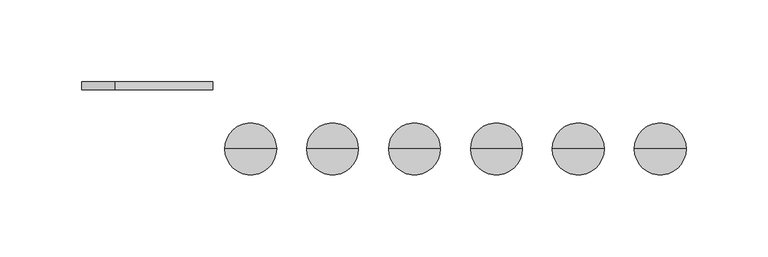
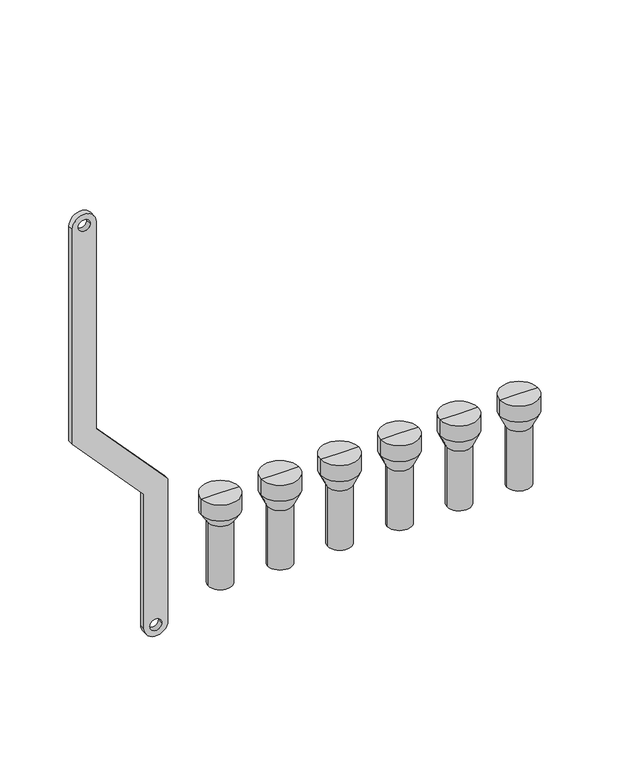
"""IFC4 building model written with IfcOpenShell, lengths in millimetres: proxy geometry."""

from ifc_helpers import new_model, si_unit, point, frame, frame_2d, origin, place, context, project, spatial, polyline, circle_curve, trimmed, segment, composite_curve, outline, extrude, source, transform, mapped, element, save
from ifc_brep_helpers import plane_surface, cylinder_surface, revolved_surface, advanced_brep


def mechanical_equipment_5f8a5434(model_context):
    return source(origin(), model_context, "Body", "SolidModel", [
        advanced_brep(
        [(351.0, -20.0, -240.0), (335.0, -20.0, -240.0), (335.0, -20.0, -187.5), (351.0, -20.0, -187.5), (353.0, -20.0, -240.0), (333.0, -20.0, -240.0), (353.0, -20.0, -187.5), (333.0, -20.0, -187.5), (358.791778, -20.0, -175.079492), (327.208222, -20.0, -175.079492), (358.791778, -20.0, -161.0287273), (327.208222, -20.0, -161.0287273), (343.0, -20.0, -161.0287273), (343.0, -20.0, -187.5)],
        [
            (0, 1, circle_curve(frame((343.0, -20.0, -240.0), z_axis=(0.0, 0.0, -1.0), x_axis=(-1.0, 0.0, 0.0)), 8.0)),
            (1, 2),
            (2, 3, circle_curve(frame((343.0, -20.0, -187.5), z_axis=(0.0, 0.0, 1.0), x_axis=(-1.0, 0.0, 0.0)), 8.0)),
            (3, 0),
            (1, 0, circle_curve(frame((343.0, -20.0, -240.0), z_axis=(0.0, 0.0, -1.0), x_axis=(-1.0, 0.0, 0.0)), 8.0)),
            (3, 2, circle_curve(frame((343.0, -20.0, -187.5), z_axis=(0.0, 0.0, 1.0), x_axis=(-1.0, 0.0, 0.0)), 8.0)),
            (4, 5, circle_curve(frame((343.0, -20.0, -240.0), z_axis=(0.0, 0.0, -1.0), x_axis=(-1.0, 0.0, 0.0)), 10.0)),
            (5, 1),
            (0, 4),
            (5, 4, circle_curve(frame((343.0, -20.0, -240.0), z_axis=(0.0, 0.0, -1.0), x_axis=(-1.0, 0.0, 0.0)), 10.0)),
            (6, 7, circle_curve(frame((343.0, -20.0, -187.5), z_axis=(0.0, 0.0, -1.0), x_axis=(-1.0, 0.0, 0.0)), 10.0)),
            (7, 5),
            (4, 6),
            (7, 6, circle_curve(frame((343.0, -20.0, -187.5), z_axis=(0.0, 0.0, -1.0), x_axis=(-1.0, 0.0, 0.0)), 10.0)),
            (8, 9, circle_curve(frame((343.0, -20.0, -175.079492), z_axis=(0.0, 0.0, -1.0), x_axis=(-1.0, 0.0, 0.0)), 15.791778)),
            (9, 7),
            (6, 8),
            (9, 8, circle_curve(frame((343.0, -20.0, -175.079492), z_axis=(0.0, 0.0, -1.0), x_axis=(-1.0, 0.0, 0.0)), 15.791778)),
            (10, 11, circle_curve(frame((343.0, -20.0, -161.0287273), z_axis=(0.0, 0.0, -1.0), x_axis=(-1.0, 0.0, 0.0)), 15.791778)),
            (11, 9),
            (8, 10),
            (11, 10, circle_curve(frame((343.0, -20.0, -161.0287273), z_axis=(0.0, 0.0, -1.0), x_axis=(-1.0, 0.0, 0.0)), 15.791778)),
            (12, 11),
            (10, 12),
            (2, 13),
            (13, 3),
        ],
        [
            revolved_surface(polyline([(335.0, -20.0, -187.5), (335.0, -20.0, -240.0)]), (343.0, -20.0, -200.0), (0.0, 0.0, 1.0)),
            plane_surface(frame((343.0, -20.0, -240.0), z_axis=(0.0, 0.0, -1.0), x_axis=(-1.0, 0.0, 0.0))),
            cylinder_surface(frame((343.0, -20.0, -200.0), z_axis=(0.0, 0.0, 1.0), x_axis=(-1.0, 0.0, 0.0)), 10.0),
            revolved_surface(polyline([(333.0, -20.0, -187.5), (327.208222, -20.0, -175.079492)]), (343.0, -20.0, -200.0), (0.0, 0.0, 1.0)),
            cylinder_surface(frame((343.0, -20.0, -200.0), z_axis=(0.0, 0.0, 1.0), x_axis=(-1.0, 0.0, 0.0)), 15.791778),
            plane_surface(frame((343.0, -20.0, -161.0287273), z_axis=(0.0, 0.0, 1.0), x_axis=(-1.0, 0.0, 0.0))),
            plane_surface(frame((343.0, -20.0, -187.5), z_axis=(0.0, 0.0, -1.0), x_axis=(-1.0, 0.0, 0.0))),
        ],
        [
            (0, [[1, 2, 3, 4]]),
            (0, [[5, -4, 6, -2]]),
            (1, [[7, 8, -1, 9]]),
            (1, [[10, -9, -5, -8]]),
            (2, [[11, 12, -7, 13]]),
            (2, [[14, -13, -10, -12]]),
            (3, [[15, 16, -11, 17]]),
            (3, [[18, -17, -14, -16]]),
            (4, [[19, 20, -15, 21]]),
            (4, [[22, -21, -18, -20]]),
            (5, [[23, -19, 24]]),
            (5, [[-24, -22, -23]]),
            (6, [[-3, 25, 26]]),
            (6, [[-6, -26, -25]]),
        ],
    ),
        advanced_brep(
        [(301.0, -20.0, -240.0), (285.0, -20.0, -240.0), (285.0, -20.0, -187.5), (301.0, -20.0, -187.5), (303.0, -20.0, -240.0), (283.0, -20.0, -240.0), (303.0, -20.0, -187.5), (283.0, -20.0, -187.5), (308.791778, -20.0, -175.079492), (277.208222, -20.0, -175.079492), (308.791778, -20.0, -161.0287273), (277.208222, -20.0, -161.0287273), (293.0, -20.0, -161.0287273), (293.0, -20.0, -187.5)],
        [
            (0, 1, circle_curve(frame((293.0, -20.0, -240.0), z_axis=(0.0, 0.0, -1.0), x_axis=(-1.0, 0.0, 0.0)), 8.0)),
            (1, 2),
            (2, 3, circle_curve(frame((293.0, -20.0, -187.5), z_axis=(0.0, 0.0, 1.0), x_axis=(-1.0, 0.0, 0.0)), 8.0)),
            (3, 0),
            (1, 0, circle_curve(frame((293.0, -20.0, -240.0), z_axis=(0.0, 0.0, -1.0), x_axis=(-1.0, 0.0, 0.0)), 8.0)),
            (3, 2, circle_curve(frame((293.0, -20.0, -187.5), z_axis=(0.0, 0.0, 1.0), x_axis=(-1.0, 0.0, 0.0)), 8.0)),
            (4, 5, circle_curve(frame((293.0, -20.0, -240.0), z_axis=(0.0, 0.0, -1.0), x_axis=(-1.0, 0.0, 0.0)), 10.0)),
            (5, 1),
            (0, 4),
            (5, 4, circle_curve(frame((293.0, -20.0, -240.0), z_axis=(0.0, 0.0, -1.0), x_axis=(-1.0, 0.0, 0.0)), 10.0)),
            (6, 7, circle_curve(frame((293.0, -20.0, -187.5), z_axis=(0.0, 0.0, -1.0), x_axis=(-1.0, 0.0, 0.0)), 10.0)),
            (7, 5),
            (4, 6),
            (7, 6, circle_curve(frame((293.0, -20.0, -187.5), z_axis=(0.0, 0.0, -1.0), x_axis=(-1.0, 0.0, 0.0)), 10.0)),
            (8, 9, circle_curve(frame((293.0, -20.0, -175.079492), z_axis=(0.0, 0.0, -1.0), x_axis=(-1.0, 0.0, 0.0)), 15.791778)),
            (9, 7),
            (6, 8),
            (9, 8, circle_curve(frame((293.0, -20.0, -175.079492), z_axis=(0.0, 0.0, -1.0), x_axis=(-1.0, 0.0, 0.0)), 15.791778)),
            (10, 11, circle_curve(frame((293.0, -20.0, -161.0287273), z_axis=(0.0, 0.0, -1.0), x_axis=(-1.0, 0.0, 0.0)), 15.791778)),
            (11, 9),
            (8, 10),
            (11, 10, circle_curve(frame((293.0, -20.0, -161.0287273), z_axis=(0.0, 0.0, -1.0), x_axis=(-1.0, 0.0, 0.0)), 15.791778)),
            (12, 11),
            (10, 12),
            (2, 13),
            (13, 3),
        ],
        [
            revolved_surface(polyline([(285.0, -20.0, -187.5), (285.0, -20.0, -240.0)]), (293.0, -20.0, -200.0), (0.0, 0.0, 1.0)),
            plane_surface(frame((293.0, -20.0, -240.0), z_axis=(0.0, 0.0, -1.0), x_axis=(-1.0, 0.0, 0.0))),
            cylinder_surface(frame((293.0, -20.0, -200.0), z_axis=(0.0, 0.0, 1.0), x_axis=(-1.0, 0.0, 0.0)), 10.0),
            revolved_surface(polyline([(283.0, -20.0, -187.5), (277.208222, -20.0, -175.079492)]), (293.0, -20.0, -200.0), (0.0, 0.0, 1.0)),
            cylinder_surface(frame((293.0, -20.0, -200.0), z_axis=(0.0, 0.0, 1.0), x_axis=(-1.0, 0.0, 0.0)), 15.791778),
            plane_surface(frame((293.0, -20.0, -161.0287273), z_axis=(0.0, 0.0, 1.0), x_axis=(-1.0, 0.0, 0.0))),
            plane_surface(frame((293.0, -20.0, -187.5), z_axis=(0.0, 0.0, -1.0), x_axis=(-1.0, 0.0, 0.0))),
        ],
        [
            (0, [[1, 2, 3, 4]]),
            (0, [[5, -4, 6, -2]]),
            (1, [[7, 8, -1, 9]]),
            (1, [[10, -9, -5, -8]]),
            (2, [[11, 12, -7, 13]]),
            (2, [[14, -13, -10, -12]]),
            (3, [[15, 16, -11, 17]]),
            (3, [[18, -17, -14, -16]]),
            (4, [[19, 20, -15, 21]]),
            (4, [[22, -21, -18, -20]]),
            (5, [[23, -19, 24]]),
            (5, [[-24, -22, -23]]),
            (6, [[-3, 25, 26]]),
            (6, [[-6, -26, -25]]),
        ],
    ),
        advanced_brep(
        [(251.0, -20.0, -240.0), (235.0, -20.0, -240.0), (235.0, -20.0, -187.5), (251.0, -20.0, -187.5), (253.0, -20.0, -240.0), (233.0, -20.0, -240.0), (253.0, -20.0, -187.5), (233.0, -20.0, -187.5), (258.791778, -20.0, -175.079492), (227.208222, -20.0, -175.079492), (258.791778, -20.0, -161.0287273), (227.208222, -20.0, -161.0287273), (243.0, -20.0, -161.0287273), (243.0, -20.0, -187.5)],
        [
            (0, 1, circle_curve(frame((243.0, -20.0, -240.0), z_axis=(0.0, 0.0, -1.0), x_axis=(-1.0, 0.0, 0.0)), 8.0)),
            (1, 2),
            (2, 3, circle_curve(frame((243.0, -20.0, -187.5), z_axis=(0.0, 0.0, 1.0), x_axis=(-1.0, 0.0, 0.0)), 8.0)),
            (3, 0),
            (1, 0, circle_curve(frame((243.0, -20.0, -240.0), z_axis=(0.0, 0.0, -1.0), x_axis=(-1.0, 0.0, 0.0)), 8.0)),
            (3, 2, circle_curve(frame((243.0, -20.0, -187.5), z_axis=(0.0, 0.0, 1.0), x_axis=(-1.0, 0.0, 0.0)), 8.0)),
            (4, 5, circle_curve(frame((243.0, -20.0, -240.0), z_axis=(0.0, 0.0, -1.0), x_axis=(-1.0, 0.0, 0.0)), 10.0)),
            (5, 1),
            (0, 4),
            (5, 4, circle_curve(frame((243.0, -20.0, -240.0), z_axis=(0.0, 0.0, -1.0), x_axis=(-1.0, 0.0, 0.0)), 10.0)),
            (6, 7, circle_curve(frame((243.0, -20.0, -187.5), z_axis=(0.0, 0.0, -1.0), x_axis=(-1.0, 0.0, 0.0)), 10.0)),
            (7, 5),
            (4, 6),
            (7, 6, circle_curve(frame((243.0, -20.0, -187.5), z_axis=(0.0, 0.0, -1.0), x_axis=(-1.0, 0.0, 0.0)), 10.0)),
            (8, 9, circle_curve(frame((243.0, -20.0, -175.079492), z_axis=(0.0, 0.0, -1.0), x_axis=(-1.0, 0.0, 0.0)), 15.791778)),
            (9, 7),
            (6, 8),
            (9, 8, circle_curve(frame((243.0, -20.0, -175.079492), z_axis=(0.0, 0.0, -1.0), x_axis=(-1.0, 0.0, 0.0)), 15.791778)),
            (10, 11, circle_curve(frame((243.0, -20.0, -161.0287273), z_axis=(0.0, 0.0, -1.0), x_axis=(-1.0, 0.0, 0.0)), 15.791778)),
            (11, 9),
            (8, 10),
            (11, 10, circle_curve(frame((243.0, -20.0, -161.0287273), z_axis=(0.0, 0.0, -1.0), x_axis=(-1.0, 0.0, 0.0)), 15.791778)),
            (12, 11),
            (10, 12),
            (2, 13),
            (13, 3),
        ],
        [
            revolved_surface(polyline([(235.0, -20.0, -187.5), (235.0, -20.0, -240.0)]), (243.0, -20.0, -200.0), (0.0, 0.0, 1.0)),
            plane_surface(frame((243.0, -20.0, -240.0), z_axis=(0.0, 0.0, -1.0), x_axis=(-1.0, 0.0, 0.0))),
            cylinder_surface(frame((243.0, -20.0, -200.0), z_axis=(0.0, 0.0, 1.0), x_axis=(-1.0, 0.0, 0.0)), 10.0),
            revolved_surface(polyline([(233.0, -20.0, -187.5), (227.208222, -20.0, -175.079492)]), (243.0, -20.0, -200.0), (0.0, 0.0, 1.0)),
            cylinder_surface(frame((243.0, -20.0, -200.0), z_axis=(0.0, 0.0, 1.0), x_axis=(-1.0, 0.0, 0.0)), 15.791778),
            plane_surface(frame((243.0, -20.0, -161.0287273), z_axis=(0.0, 0.0, 1.0), x_axis=(-1.0, 0.0, 0.0))),
            plane_surface(frame((243.0, -20.0, -187.5), z_axis=(0.0, 0.0, -1.0), x_axis=(-1.0, 0.0, 0.0))),
        ],
        [
            (0, [[1, 2, 3, 4]]),
            (0, [[5, -4, 6, -2]]),
            (1, [[7, 8, -1, 9]]),
            (1, [[10, -9, -5, -8]]),
            (2, [[11, 12, -7, 13]]),
            (2, [[14, -13, -10, -12]]),
            (3, [[15, 16, -11, 17]]),
            (3, [[18, -17, -14, -16]]),
            (4, [[19, 20, -15, 21]]),
            (4, [[22, -21, -18, -20]]),
            (5, [[23, -19, 24]]),
            (5, [[-24, -22, -23]]),
            (6, [[-3, 25, 26]]),
            (6, [[-6, -26, -25]]),
        ],
    ),
        advanced_brep(
        [(201.0, -20.0, -240.0), (185.0, -20.0, -240.0), (185.0, -20.0, -187.5), (201.0, -20.0, -187.5), (203.0, -20.0, -240.0), (183.0, -20.0, -240.0), (203.0, -20.0, -187.5), (183.0, -20.0, -187.5), (208.791778, -20.0, -175.079492), (177.208222, -20.0, -175.079492), (208.791778, -20.0, -161.0287273), (177.208222, -20.0, -161.0287273), (193.0, -20.0, -161.0287273), (193.0, -20.0, -187.5)],
        [
            (0, 1, circle_curve(frame((193.0, -20.0, -240.0), z_axis=(0.0, 0.0, -1.0), x_axis=(-1.0, 0.0, 0.0)), 8.0)),
            (1, 2),
            (2, 3, circle_curve(frame((193.0, -20.0, -187.5), z_axis=(0.0, 0.0, 1.0), x_axis=(-1.0, 0.0, 0.0)), 8.0)),
            (3, 0),
            (1, 0, circle_curve(frame((193.0, -20.0, -240.0), z_axis=(0.0, 0.0, -1.0), x_axis=(-1.0, 0.0, 0.0)), 8.0)),
            (3, 2, circle_curve(frame((193.0, -20.0, -187.5), z_axis=(0.0, 0.0, 1.0), x_axis=(-1.0, 0.0, 0.0)), 8.0)),
            (4, 5, circle_curve(frame((193.0, -20.0, -240.0), z_axis=(0.0, 0.0, -1.0), x_axis=(-1.0, 0.0, 0.0)), 10.0)),
            (5, 1),
            (0, 4),
            (5, 4, circle_curve(frame((193.0, -20.0, -240.0), z_axis=(0.0, 0.0, -1.0), x_axis=(-1.0, 0.0, 0.0)), 10.0)),
            (6, 7, circle_curve(frame((193.0, -20.0, -187.5), z_axis=(0.0, 0.0, -1.0), x_axis=(-1.0, 0.0, 0.0)), 10.0)),
            (7, 5),
            (4, 6),
            (7, 6, circle_curve(frame((193.0, -20.0, -187.5), z_axis=(0.0, 0.0, -1.0), x_axis=(-1.0, 0.0, 0.0)), 10.0)),
            (8, 9, circle_curve(frame((193.0, -20.0, -175.079492), z_axis=(0.0, 0.0, -1.0), x_axis=(-1.0, 0.0, 0.0)), 15.791778)),
            (9, 7),
            (6, 8),
            (9, 8, circle_curve(frame((193.0, -20.0, -175.079492), z_axis=(0.0, 0.0, -1.0), x_axis=(-1.0, 0.0, 0.0)), 15.791778)),
            (10, 11, circle_curve(frame((193.0, -20.0, -161.0287273), z_axis=(0.0, 0.0, -1.0), x_axis=(-1.0, 0.0, 0.0)), 15.791778)),
            (11, 9),
            (8, 10),
            (11, 10, circle_curve(frame((193.0, -20.0, -161.0287273), z_axis=(0.0, 0.0, -1.0), x_axis=(-1.0, 0.0, 0.0)), 15.791778)),
            (12, 11),
            (10, 12),
            (2, 13),
            (13, 3),
        ],
        [
            revolved_surface(polyline([(185.0, -20.0, -187.5), (185.0, -20.0, -240.0)]), (193.0, -20.0, -200.0), (0.0, 0.0, 1.0)),
            plane_surface(frame((193.0, -20.0, -240.0), z_axis=(0.0, 0.0, -1.0), x_axis=(-1.0, 0.0, 0.0))),
            cylinder_surface(frame((193.0, -20.0, -200.0), z_axis=(0.0, 0.0, 1.0), x_axis=(-1.0, 0.0, 0.0)), 10.0),
            revolved_surface(polyline([(183.0, -20.0, -187.5), (177.208222, -20.0, -175.079492)]), (193.0, -20.0, -200.0), (0.0, 0.0, 1.0)),
            cylinder_surface(frame((193.0, -20.0, -200.0), z_axis=(0.0, 0.0, 1.0), x_axis=(-1.0, 0.0, 0.0)), 15.791778),
            plane_surface(frame((193.0, -20.0, -161.0287273), z_axis=(0.0, 0.0, 1.0), x_axis=(-1.0, 0.0, 0.0))),
            plane_surface(frame((193.0, -20.0, -187.5), z_axis=(0.0, 0.0, -1.0), x_axis=(-1.0, 0.0, 0.0))),
        ],
        [
            (0, [[1, 2, 3, 4]]),
            (0, [[5, -4, 6, -2]]),
            (1, [[7, 8, -1, 9]]),
            (1, [[10, -9, -5, -8]]),
            (2, [[11, 12, -7, 13]]),
            (2, [[14, -13, -10, -12]]),
            (3, [[15, 16, -11, 17]]),
            (3, [[18, -17, -14, -16]]),
            (4, [[19, 20, -15, 21]]),
            (4, [[22, -21, -18, -20]]),
            (5, [[23, -19, 24]]),
            (5, [[-24, -22, -23]]),
            (6, [[-3, 25, 26]]),
            (6, [[-6, -26, -25]]),
        ],
    ),
        advanced_brep(
        [(151.0, -20.0, -240.0), (135.0, -20.0, -240.0), (135.0, -20.0, -187.5), (151.0, -20.0, -187.5), (153.0, -20.0, -240.0), (133.0, -20.0, -240.0), (153.0, -20.0, -187.5), (133.0, -20.0, -187.5), (158.791778, -20.0, -175.079492), (127.208222, -20.0, -175.079492), (158.791778, -20.0, -161.0287273), (127.208222, -20.0, -161.0287273), (143.0, -20.0, -161.0287273), (143.0, -20.0, -187.5)],
        [
            (0, 1, circle_curve(frame((143.0, -20.0, -240.0), z_axis=(0.0, 0.0, -1.0), x_axis=(-1.0, 0.0, 0.0)), 8.0)),
            (1, 2),
            (2, 3, circle_curve(frame((143.0, -20.0, -187.5), z_axis=(0.0, 0.0, 1.0), x_axis=(-1.0, 0.0, 0.0)), 8.0)),
            (3, 0),
            (1, 0, circle_curve(frame((143.0, -20.0, -240.0), z_axis=(0.0, 0.0, -1.0), x_axis=(-1.0, 0.0, 0.0)), 8.0)),
            (3, 2, circle_curve(frame((143.0, -20.0, -187.5), z_axis=(0.0, 0.0, 1.0), x_axis=(-1.0, 0.0, 0.0)), 8.0)),
            (4, 5, circle_curve(frame((143.0, -20.0, -240.0), z_axis=(0.0, 0.0, -1.0), x_axis=(-1.0, 0.0, 0.0)), 10.0)),
            (5, 1),
            (0, 4),
            (5, 4, circle_curve(frame((143.0, -20.0, -240.0), z_axis=(0.0, 0.0, -1.0), x_axis=(-1.0, 0.0, 0.0)), 10.0)),
            (6, 7, circle_curve(frame((143.0, -20.0, -187.5), z_axis=(0.0, 0.0, -1.0), x_axis=(-1.0, 0.0, 0.0)), 10.0)),
            (7, 5),
            (4, 6),
            (7, 6, circle_curve(frame((143.0, -20.0, -187.5), z_axis=(0.0, 0.0, -1.0), x_axis=(-1.0, 0.0, 0.0)), 10.0)),
            (8, 9, circle_curve(frame((143.0, -20.0, -175.079492), z_axis=(0.0, 0.0, -1.0), x_axis=(-1.0, 0.0, 0.0)), 15.791778)),
            (9, 7),
            (6, 8),
            (9, 8, circle_curve(frame((143.0, -20.0, -175.079492), z_axis=(0.0, 0.0, -1.0), x_axis=(-1.0, 0.0, 0.0)), 15.791778)),
            (10, 11, circle_curve(frame((143.0, -20.0, -161.0287273), z_axis=(0.0, 0.0, -1.0), x_axis=(-1.0, 0.0, 0.0)), 15.791778)),
            (11, 9),
            (8, 10),
            (11, 10, circle_curve(frame((143.0, -20.0, -161.0287273), z_axis=(0.0, 0.0, -1.0), x_axis=(-1.0, 0.0, 0.0)), 15.791778)),
            (12, 11),
            (10, 12),
            (2, 13),
            (13, 3),
        ],
        [
            revolved_surface(polyline([(135.0, -20.0, -187.5), (135.0, -20.0, -240.0)]), (143.0, -20.0, -200.0), (0.0, 0.0, 1.0)),
            plane_surface(frame((143.0, -20.0, -240.0), z_axis=(0.0, 0.0, -1.0), x_axis=(-1.0, 0.0, 0.0))),
            cylinder_surface(frame((143.0, -20.0, -200.0), z_axis=(0.0, 0.0, 1.0), x_axis=(-1.0, 0.0, 0.0)), 10.0),
            revolved_surface(polyline([(133.0, -20.0, -187.5), (127.208222, -20.0, -175.079492)]), (143.0, -20.0, -200.0), (0.0, 0.0, 1.0)),
            cylinder_surface(frame((143.0, -20.0, -200.0), z_axis=(0.0, 0.0, 1.0), x_axis=(-1.0, 0.0, 0.0)), 15.791778),
            plane_surface(frame((143.0, -20.0, -161.0287273), z_axis=(0.0, 0.0, 1.0), x_axis=(-1.0, 0.0, 0.0))),
            plane_surface(frame((143.0, -20.0, -187.5), z_axis=(0.0, 0.0, -1.0), x_axis=(-1.0, 0.0, 0.0))),
        ],
        [
            (0, [[1, 2, 3, 4]]),
            (0, [[5, -4, 6, -2]]),
            (1, [[7, 8, -1, 9]]),
            (1, [[10, -9, -5, -8]]),
            (2, [[11, 12, -7, 13]]),
            (2, [[14, -13, -10, -12]]),
            (3, [[15, 16, -11, 17]]),
            (3, [[18, -17, -14, -16]]),
            (4, [[19, 20, -15, 21]]),
            (4, [[22, -21, -18, -20]]),
            (5, [[23, -19, 24]]),
            (5, [[-24, -22, -23]]),
            (6, [[-3, 25, 26]]),
            (6, [[-6, -26, -25]]),
        ],
    ),
        advanced_brep(
        [(101.0, -20.0, -240.0), (85.0, -20.0, -240.0), (85.0, -20.0, -184.0), (101.0, -20.0, -184.0), (103.0, -20.0, -240.0), (83.0, -20.0, -240.0), (103.0, -20.0, -184.0), (83.0, -20.0, -184.0), (108.791778, -20.0, -175.079492), (77.208222, -20.0, -175.079492), (108.791778, -20.0, -161.0287273), (77.208222, -20.0, -161.0287273), (93.0, -20.0, -161.0287273), (93.0, -20.0, -184.0)],
        [
            (0, 1, circle_curve(frame((93.0, -20.0, -240.0), z_axis=(0.0, 0.0, -1.0), x_axis=(-1.0, 0.0, 0.0)), 8.0)),
            (1, 2),
            (2, 3, circle_curve(frame((93.0, -20.0, -184.0), z_axis=(0.0, 0.0, 1.0), x_axis=(-1.0, 0.0, 0.0)), 8.0)),
            (3, 0),
            (1, 0, circle_curve(frame((93.0, -20.0, -240.0), z_axis=(0.0, 0.0, -1.0), x_axis=(-1.0, 0.0, 0.0)), 8.0)),
            (3, 2, circle_curve(frame((93.0, -20.0, -184.0), z_axis=(0.0, 0.0, 1.0), x_axis=(-1.0, 0.0, 0.0)), 8.0)),
            (4, 5, circle_curve(frame((93.0, -20.0, -240.0), z_axis=(0.0, 0.0, -1.0), x_axis=(-1.0, 0.0, 0.0)), 10.0)),
            (5, 1),
            (0, 4),
            (5, 4, circle_curve(frame((93.0, -20.0, -240.0), z_axis=(0.0, 0.0, -1.0), x_axis=(-1.0, 0.0, 0.0)), 10.0)),
            (6, 7, circle_curve(frame((93.0, -20.0, -184.0), z_axis=(0.0, 0.0, -1.0), x_axis=(-1.0, 0.0, 0.0)), 10.0)),
            (7, 5),
            (4, 6),
            (7, 6, circle_curve(frame((93.0, -20.0, -184.0), z_axis=(0.0, 0.0, -1.0), x_axis=(-1.0, 0.0, 0.0)), 10.0)),
            (8, 9, circle_curve(frame((93.0, -20.0, -175.079492), z_axis=(0.0, 0.0, -1.0), x_axis=(-1.0, 0.0, 0.0)), 15.791778)),
            (9, 7),
            (6, 8),
            (9, 8, circle_curve(frame((93.0, -20.0, -175.079492), z_axis=(0.0, 0.0, -1.0), x_axis=(-1.0, 0.0, 0.0)), 15.791778)),
            (10, 11, circle_curve(frame((93.0, -20.0, -161.0287273), z_axis=(0.0, 0.0, -1.0), x_axis=(-1.0, 0.0, 0.0)), 15.791778)),
            (11, 9),
            (8, 10),
            (11, 10, circle_curve(frame((93.0, -20.0, -161.0287273), z_axis=(0.0, 0.0, -1.0), x_axis=(-1.0, 0.0, 0.0)), 15.791778)),
            (12, 11),
            (10, 12),
            (2, 13),
            (13, 3),
        ],
        [
            revolved_surface(polyline([(85.0, -20.0, -184.0), (85.0, -20.0, -240.0)]), (93.0, -20.0, -200.0), (0.0, 0.0, 1.0)),
            plane_surface(frame((93.0, -20.0, -240.0), z_axis=(0.0, 0.0, -1.0), x_axis=(-1.0, 0.0, 0.0))),
            cylinder_surface(frame((93.0, -20.0, -200.0), z_axis=(0.0, 0.0, 1.0), x_axis=(-1.0, 0.0, 0.0)), 10.0),
            revolved_surface(polyline([(83.0, -20.0, -184.0), (77.208222, -20.0, -175.079492)]), (93.0, -20.0, -200.0), (0.0, 0.0, 1.0)),
            cylinder_surface(frame((93.0, -20.0, -200.0), z_axis=(0.0, 0.0, 1.0), x_axis=(-1.0, 0.0, 0.0)), 15.791778),
            plane_surface(frame((93.0, -20.0, -161.0287273), z_axis=(0.0, 0.0, 1.0), x_axis=(-1.0, 0.0, 0.0))),
            plane_surface(frame((93.0, -20.0, -184.0), z_axis=(0.0, 0.0, -1.0), x_axis=(-1.0, 0.0, 0.0))),
        ],
        [
            (0, [[1, 2, 3, 4]]),
            (0, [[5, -4, 6, -2]]),
            (1, [[7, 8, -1, 9]]),
            (1, [[10, -9, -5, -8]]),
            (2, [[11, 12, -7, 13]]),
            (2, [[14, -13, -10, -12]]),
            (3, [[15, 16, -11, 17]]),
            (3, [[18, -17, -14, -16]]),
            (4, [[19, 20, -15, 21]]),
            (4, [[22, -21, -18, -20]]),
            (5, [[23, -19, 24]]),
            (5, [[-24, -22, -23]]),
            (6, [[-3, 25, 26]]),
            (6, [[-6, -26, -25]]),
        ],
    ),
        extrude(outline(composite_curve([segment(trimmed(circle_curve(frame_2d((86.2845679, 0.0)), 10.0), [point((86.2845679, 10.0))], [point((86.2845679, -10.0))], False, "CARTESIAN"), True, "CONTINUOUS"), segment(polyline([(86.2845679, -10.0), (-103.7138261, -10.0), (-169.0329221, 50.0), (-287.9537524, 50.0)]), True, "CONTINUOUS"), segment(trimmed(circle_curve(frame_2d((-287.9537524, 60.0)), 10.0), [point((-287.9537524, 50.0))], [point((-287.9537524, 70.0))], False, "CARTESIAN"), True, "CONTINUOUS"), segment(polyline([(-287.9537524, 70.0), (-162.5345282, 70.0), (-97.2154321, 10.0), (86.2845679, 10.0)]), True, "CONTINUOUS")], self_intersect=False), holes=[composite_curve([segment(trimmed(circle_curve(frame_2d((86.2845679, 0.0)), 5.0), [point((86.2845679, -5.0))], [point((86.2845679, 5.0))], True, "CARTESIAN"), True, "CONTINUOUS"), segment(trimmed(circle_curve(frame_2d((86.2845679, 0.0)), 5.0), [point((86.2845679, 5.0))], [point((86.2845679, -5.0))], True, "CARTESIAN"), True, "CONTINUOUS")], self_intersect=False), composite_curve([segment(trimmed(circle_curve(frame_2d((-287.9537524, 60.0)), 5.0), [point((-287.9537524, 55.0))], [point((-287.9537524, 65.0))], True, "CARTESIAN"), True, "CONTINUOUS"), segment(trimmed(circle_curve(frame_2d((-287.9537524, 60.0)), 5.0), [point((-287.9537524, 65.0))], [point((-287.9537524, 55.0))], True, "CARTESIAN"), True, "CONTINUOUS")], self_intersect=False)]), frame((0.0, 16.0, 0.0), z_axis=(0.0, 1.0, 0.0), x_axis=(0.0, 0.0, 1.0)), (0.0, 0.0, 1.0), 4.847249),
    ])


if __name__ == "__main__":
    model = new_model("IFC4")
    model_context = context("Model", 3, world=origin())
    ifc_project = project(units=[si_unit("LENGTHUNIT", "METRE", prefix="MILLI")], contexts=[model_context])
    site = spatial("IfcSite", under=ifc_project)
    building = spatial("IfcBuilding", under=site)
    placement = place(None, origin())
    mechanical_equipment_shape = mechanical_equipment_5f8a5434(model_context)
    element("IfcBuildingElementProxy", 1, Name="Mechanical Equipment", at=placement, inside=building, context=model_context, shape_type="MappedRepresentation", body=[
        mapped(mechanical_equipment_shape, transform((0.0, 0.0, 0.0), x_axis=(1.0, 0.0, 0.0), y_axis=(0.0, 1.0, 0.0), z_axis=(0.0, 0.0, 1.0))),
    ])
    save(model, "model.ifc")
